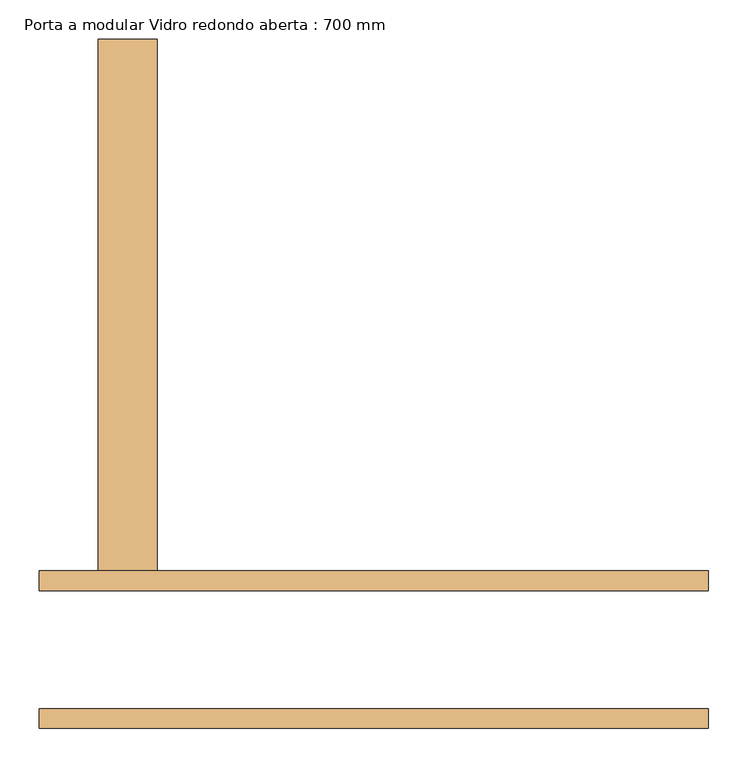
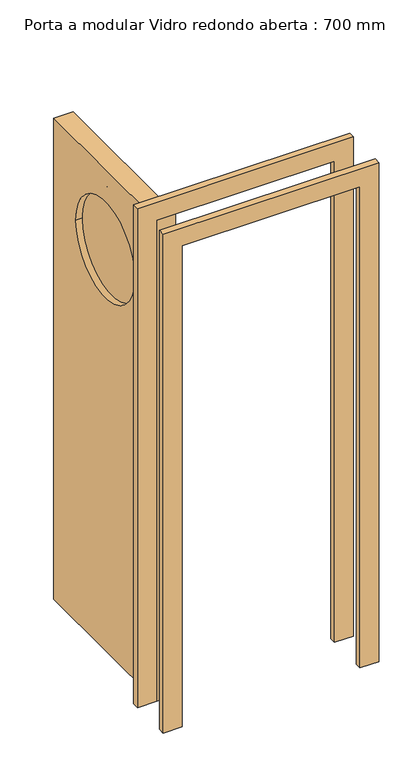
"""IFC4 building model written with IfcOpenShell, lengths in millimetres: door geometry, Porta a modular Vidro redondo aberta : 700 mm."""

from ifc_helpers import new_model, si_unit, point, frame, frame_2d, origin, place, context, project, spatial, polyline, circle_curve, trimmed, segment, composite_curve, outline, extrude, source, transform, mapped, element, save


def porta_a_modular_vidro_redondo_aberta_700_mm_34b375b6(model_context):
    return source(origin(), model_context, "Body", "SweptSolid", [
        extrude(outline(polyline([(2000.0, -350.0), (2000.0, 350.0), (0.0, 350.0), (0.0, 425.0), (2075.0, 425.0), (2075.0, -425.0), (0.0, -425.0), (0.0, -350.0), (2000.0, -350.0)])), frame((0.0, 75.0, 0.0), z_axis=(0.0, 1.0, 0.0), x_axis=(0.0, 0.0, 1.0)), (0.0, 0.0, 1.0), 25.0),
        extrude(outline(polyline([(2075.0, -425.0), (0.0, -425.0), (0.0, -350.0), (2000.0, -350.0), (2000.0, 350.0), (0.0, 350.0), (0.0, 425.0), (2075.0, 425.0), (2075.0, -425.0)])), frame((0.0, -100.0, 0.0), z_axis=(0.0, 1.0, 0.0), x_axis=(0.0, 0.0, 1.0)), (0.0, 0.0, 1.0), 25.0),
        extrude(outline(polyline([(75.0, 2000.0), (775.0, 2000.0), (775.0, 0.0), (75.0, 0.0), (75.0, 2000.0)]), holes=[composite_curve([segment(trimmed(circle_curve(frame_2d((425.0, 1666.6666667)), 200.0), [point((225.0, 1666.6666667))], [point((625.0, 1666.6666667))], True, "CARTESIAN"), True, "CONTINUOUS"), segment(trimmed(circle_curve(frame_2d((425.0, 1666.6666667)), 200.0), [point((625.0, 1666.6666667))], [point((225.0, 1666.6666667))], True, "CARTESIAN"), True, "CONTINUOUS")], self_intersect=False)]), frame((-350.0, 0.0, 0.0), z_axis=(1.0, 0.0, 0.0), x_axis=(0.0, 1.0, 0.0)), (0.0, 0.0, 1.0), 75.0),
        extrude(outline(composite_curve([segment(trimmed(circle_curve(frame_2d((425.0, 1666.6666667)), 200.0), [point((225.0, 1666.6666667))], [point((625.0, 1666.6666667))], False, "CARTESIAN"), True, "CONTINUOUS"), segment(trimmed(circle_curve(frame_2d((425.0, 1666.6666667)), 200.0), [point((625.0, 1666.6666667))], [point((225.0, 1666.6666667))], False, "CARTESIAN"), True, "CONTINUOUS")], self_intersect=False)), frame((-325.0, 0.0, 0.0), z_axis=(1.0, 0.0, 0.0), x_axis=(0.0, 1.0, 0.0)), (0.0, 0.0, 1.0), 25.0),
    ])


if __name__ == "__main__":
    model = new_model("IFC4")
    model_context = context("Model", 3, world=origin())
    ifc_project = project(units=[si_unit("LENGTHUNIT", "METRE", prefix="MILLI")], contexts=[model_context])
    site = spatial("IfcSite", under=ifc_project)
    building = spatial("IfcBuilding", under=site)
    placement = place(None, origin())
    porta_a_modular_vidro_redondo_aberta_700_mm_shape = porta_a_modular_vidro_redondo_aberta_700_mm_34b375b6(model_context)
    element("IfcDoor", 1, ObjectType="Porta a modular Vidro redondo aberta : 700 mm", at=placement, inside=building, context=model_context, shape_type="MappedRepresentation", body=[
        mapped(porta_a_modular_vidro_redondo_aberta_700_mm_shape, transform((0.0, 0.0, 0.0), x_axis=(1.0, 0.0, 0.0), y_axis=(0.0, 1.0, 0.0), z_axis=(0.0, 0.0, 1.0))),
    ])
    save(model, "model.ifc")
